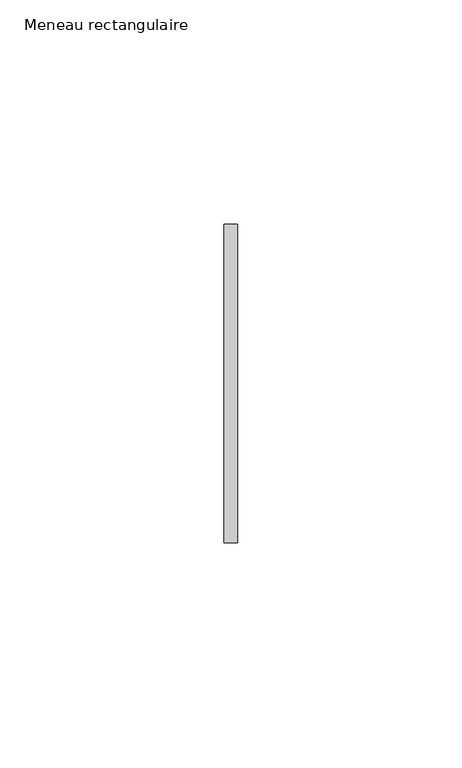
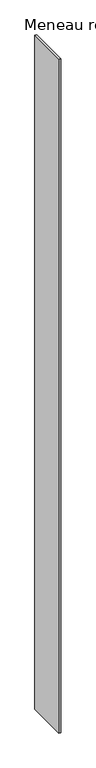
"""IFC4 building model written with IfcOpenShell, lengths in millimetres: member geometry, Meneau rectangulaire."""

import ifcopenshell
import ifcopenshell.guid

model = None  # the IFC model being written
_history = None  # IfcOwnerHistory: only IFC2X3 demands one
_inside = {}  # id of a spatial element -> (the spatial element, [elements in it])
_under = {}  # id of a project, library or spatial element -> (it, [spatial elements below it])
_declared = {}  # id of a project -> (the project, [libraries it declares])
_typed = {}  # id of a type object -> (the type object, [elements of that type])
_made_of = {}  # id of a material, layer set ... -> (it, [elements and type objects made of it])


def new_model(schema):
    """Start an empty IFC model of exactly this schema.

    Asked for "IFC4X3", IfcOpenShell would pick the latest addendum, in which some entities
    have other attributes; the version numbers below select the first issue.
    IFC2X3 requires an IfcOwnerHistory on every rooted entity: one is made here for all.
    """
    global model, _history
    if schema == "IFC4X3":
        model = ifcopenshell.file(schema_version=(4, 3, 0, 0))
    else:
        model = ifcopenshell.file(schema=schema)
    _inside.clear()
    _under.clear()
    _declared.clear()
    _typed.clear()
    _made_of.clear()
    _history = None
    if model.schema == "IFC2X3":
        org = make("IfcOrganization", Name="unknown")
        user = make(
            "IfcPersonAndOrganization",
            ThePerson=make("IfcPerson", FamilyName="unknown"),
            TheOrganization=org,
        )
        app = make(
            "IfcApplication",
            ApplicationDeveloper=org,
            Version="unknown",
            ApplicationFullName="unknown",
            ApplicationIdentifier="unknown",
        )
        _history = make(
            "IfcOwnerHistory",
            OwningUser=user,
            OwningApplication=app,
            ChangeAction="ADDED",
            CreationDate=0,
        )
    return model


def make(cls, **values):
    """One entity of the class cls with the attributes given. An attribute that is None is left unset."""
    return model.create_entity(
        cls, **{name: value for name, value in values.items() if value is not None}
    )


def rooted(cls, **values):
    """An entity with a GlobalId (a new one), such as an element, a storey or a relation."""
    return make(cls, GlobalId=ifcopenshell.guid.new(), OwnerHistory=_history, **values)


def si_unit(unit_type, name, prefix=None):
    """IfcSIUnit, for example si_unit("LENGTHUNIT", "METRE", prefix="MILLI")."""
    return make("IfcSIUnit", UnitType=unit_type, Prefix=prefix, Name=name)


def assignment(units):
    """IfcUnitAssignment: the units of a project."""
    return None if units is None else make("IfcUnitAssignment", Units=units)


def point(xyz):
    """IfcCartesianPoint."""
    return None if xyz is None else make("IfcCartesianPoint", Coordinates=xyz)


def direction(xyz):
    """IfcDirection."""
    return None if xyz is None else make("IfcDirection", DirectionRatios=xyz)


def frame(location, z_axis=None, x_axis=None):
    """IfcAxis2Placement3D, a coordinate frame: its origin and axes. An axis left out is left unset."""
    return make(
        "IfcAxis2Placement3D",
        Location=point(location),
        Axis=direction(z_axis),
        RefDirection=direction(x_axis),
    )


def origin():
    """The frame at (0, 0, 0) with its axes left unset."""
    return frame((0.0, 0.0, 0.0))


def place(relative_to, where):
    """IfcLocalPlacement: puts the frame where relative to a parent placement (None: the world)."""
    return make(
        "IfcLocalPlacement", PlacementRelTo=relative_to, RelativePlacement=where
    )


def context(
    kind, dimensions, precision=None, world=None, true_north=None, identifier=None
):
    """IfcGeometricRepresentationContext, for example the 3D "Model" context."""
    return make(
        "IfcGeometricRepresentationContext",
        ContextIdentifier=identifier,
        ContextType=kind,
        CoordinateSpaceDimension=dimensions,
        Precision=precision,
        WorldCoordinateSystem=world,
        TrueNorth=true_north,
    )


def project(units=None, contexts=None):
    """IfcProject with its units and contexts."""
    return rooted(
        "IfcProject",
        Name="project",
        RepresentationContexts=contexts,
        UnitsInContext=assignment(units),
    )


def spatial(cls, under=None, at=None, **own):
    """A site, building, storey or space (cls), placed at a placement, below another one or the project."""
    s = rooted(cls, ObjectPlacement=at, **own)
    if under is not None:
        _under.setdefault(under.id(), (under, []))[1].append(s)
    return s


def polyline(points):
    """IfcPolyline through the points."""
    return make("IfcPolyline", Points=[point(p) for p in points])


def outline(outer, holes=None, kind="AREA"):
    """IfcArbitraryClosedProfileDef: a profile drawn as a closed curve; with holes, ...WithVoids."""
    if holes is None:
        return make("IfcArbitraryClosedProfileDef", ProfileType=kind, OuterCurve=outer)
    return make(
        "IfcArbitraryProfileDefWithVoids",
        ProfileType=kind,
        OuterCurve=outer,
        InnerCurves=holes,
    )


def extrude(swept, where, along, depth):
    """IfcExtrudedAreaSolid: the profile swept, set in the frame where, extruded along a direction by depth."""
    return make(
        "IfcExtrudedAreaSolid",
        SweptArea=swept,
        Position=where,
        ExtrudedDirection=direction(along),
        Depth=depth,
    )


def shape(context_of_items, identifier, shape_type, items):
    """IfcShapeRepresentation: the items that make up one representation, for example the "Body"."""
    return make(
        "IfcShapeRepresentation",
        ContextOfItems=context_of_items,
        RepresentationIdentifier=identifier,
        RepresentationType=shape_type,
        Items=items,
    )


def source(mapping_origin, context_of_items, identifier, shape_type, items):
    """IfcRepresentationMap: a shape defined once, which mapped items show again and again."""
    return make(
        "IfcRepresentationMap",
        MappingOrigin=mapping_origin,
        MappedRepresentation=shape(context_of_items, identifier, shape_type, items),
    )


def transform(
    local_origin,
    x_axis=None,
    y_axis=None,
    z_axis=None,
    scale=None,
    scale2=None,
    scale3=None,
    uniform=True,
):
    """IfcCartesianTransformationOperator3D, or its non-uniform kind. x_axis, y_axis, z_axis: its Axis1, 2, 3."""
    if uniform:
        return make(
            "IfcCartesianTransformationOperator3D",
            Axis1=direction(x_axis),
            Axis2=direction(y_axis),
            LocalOrigin=point(local_origin),
            Scale=scale,
            Axis3=direction(z_axis),
        )
    return make(
        "IfcCartesianTransformationOperator3DnonUniform",
        Axis1=direction(x_axis),
        Axis2=direction(y_axis),
        LocalOrigin=point(local_origin),
        Scale=scale,
        Axis3=direction(z_axis),
        Scale2=scale2,
        Scale3=scale3,
    )


def mapped(mapping_source, mapping_target):
    """IfcMappedItem: shows the shape of a source again, moved by a transform."""
    return make(
        "IfcMappedItem", MappingSource=mapping_source, MappingTarget=mapping_target
    )


def made_of(thing, what):
    """Note that an element or type object is made of a material, layer set ...; save() writes the relation."""
    if what is not None:
        _made_of.setdefault(what.id(), (what, []))[1].append(thing)
    return thing


def element(
    cls,
    number,
    at=None,
    inside=None,
    cuts=None,
    type_object=None,
    material=None,
    context=None,
    identifier="Body",
    shape_type=None,
    held_by="IfcProductDefinitionShape",
    body=None,
    shapes=None,
    **own,
):
    """One element of the class cls, such as IfcWall. Its Tag is "e" and its number.

    at: its placement. inside: the storey or other place that contains it. cuts: it is an
    opening in that element (IfcRelVoidsElement). A single representation is given by context,
    identifier, shape_type and body (its items); several are given by shapes. held_by: the class
    of the entity that holds the representations. save() writes the other relations.
    """
    e = rooted(cls, Tag="e%d" % number, ObjectPlacement=at, **own)
    if body is not None:
        shapes = [shape(context, identifier, shape_type, body)]
    if shapes is not None:
        e.Representation = make(held_by, Representations=shapes)
    if inside is not None:
        _inside.setdefault(inside.id(), (inside, []))[1].append(e)
    if cuts is not None:
        rooted(
            "IfcRelVoidsElement", RelatingBuildingElement=cuts, RelatedOpeningElement=e
        )
    if type_object is not None:
        _typed.setdefault(type_object.id(), (type_object, []))[1].append(e)
    return made_of(e, material)


def aggregate(whole, parts):
    """IfcRelAggregates: a whole, such as a stair, and the parts it consists of."""
    return rooted("IfcRelAggregates", RelatingObject=whole, RelatedObjects=parts)


def save(model, path):
    """Write the relations noted so far, then the file.

    IfcRelAggregates (storeys below a building ...), IfcRelContainedInSpatialStructure (elements
    in a storey), IfcRelDefinesByType, IfcRelAssociatesMaterial and IfcRelDeclares: one each for
    every whole, place, type object, material and project.
    """
    for whole, parts in _under.values():
        aggregate(whole, parts)
    for where, things in _inside.values():
        rooted(
            "IfcRelContainedInSpatialStructure",
            RelatedElements=things,
            RelatingStructure=where,
        )
    for kind, things in _typed.values():
        rooted("IfcRelDefinesByType", RelatedObjects=things, RelatingType=kind)
    for what, things in _made_of.values():
        rooted("IfcRelAssociatesMaterial", RelatedObjects=things, RelatingMaterial=what)
    for by, libraries in _declared.values():
        rooted("IfcRelDeclares", RelatingContext=by, RelatedDefinitions=libraries)
    model.write(path)


def meneau_rectangulaire_07acd749(model_context):
    return source(origin(), model_context, "Body", "SweptSolid", [
        extrude(outline(polyline([(-1.5, 35.5), (1.5, 35.5), (1.5, -35.5), (-1.5, -35.5), (-1.5, 35.5)])), frame((0.0, 0.0, -1219.9999998), z_axis=(0.0, 0.0, 1.0), x_axis=(1.0, 0.0, 0.0)), (0.0, 0.0, 1.0), 1219.9999998),
    ])


if __name__ == "__main__":
    model = new_model("IFC4")
    model_context = context("Model", 3, world=origin())
    ifc_project = project(units=[si_unit("LENGTHUNIT", "METRE", prefix="MILLI")], contexts=[model_context])
    site = spatial("IfcSite", under=ifc_project)
    building = spatial("IfcBuilding", under=site)
    placement = place(None, origin())
    meneau_rectangulaire_shape = meneau_rectangulaire_07acd749(model_context)
    element("IfcMember", 1, ObjectType="Meneau rectangulaire", at=placement, inside=building, context=model_context, shape_type="MappedRepresentation", body=[
        mapped(meneau_rectangulaire_shape, transform((0.0, 0.0, 0.0), x_axis=(1.0, 0.0, 0.0), y_axis=(0.0, 1.0, 0.0), z_axis=(0.0, 0.0, 1.0))),
    ])
    save(model, "model.ifc")
